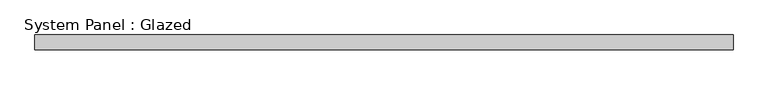
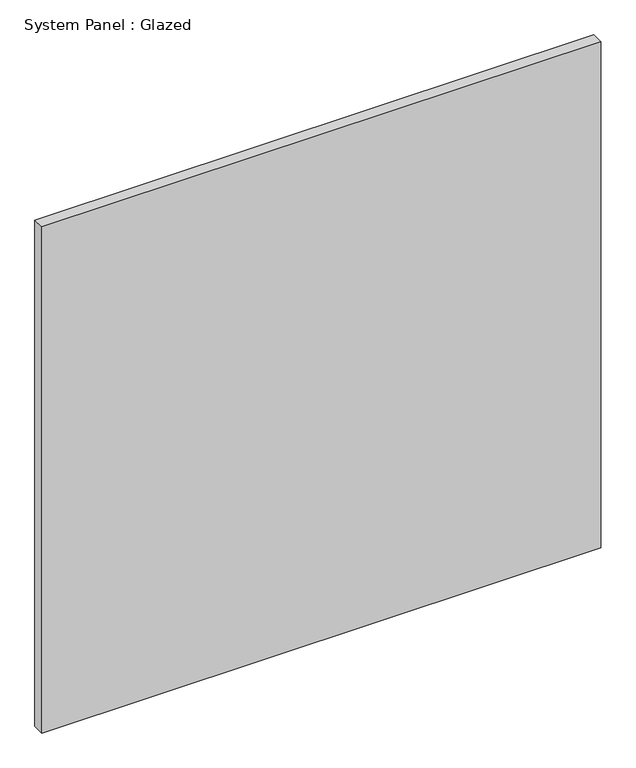
"""IFC4 building model written with IfcOpenShell, lengths in millimetres: plate geometry, System Panel : Glazed."""

from ifc_helpers import new_model, si_unit, origin, origin_with_axes, place, context, project, spatial, polyline, outline, extrude, source, transform, mapped, element, save


def system_panel_glazed_efa30ffc(model_context):
    return source(origin(), model_context, "Body", "SweptSolid", [
        extrude(outline(polyline([(596.9, -12.7), (-596.9, -12.7), (-596.9, 12.7), (596.9, 12.7), (596.9, -12.7)])), origin_with_axes(), (0.0, 0.0, 1.0), 1143.0),
    ])


if __name__ == "__main__":
    model = new_model("IFC4")
    model_context = context("Model", 3, world=origin())
    ifc_project = project(units=[si_unit("LENGTHUNIT", "METRE", prefix="MILLI")], contexts=[model_context])
    site = spatial("IfcSite", under=ifc_project)
    building = spatial("IfcBuilding", under=site)
    placement = place(None, origin())
    system_panel_glazed_shape = system_panel_glazed_efa30ffc(model_context)
    element("IfcPlate", 1, ObjectType="System Panel : Glazed", at=placement, inside=building, context=model_context, shape_type="MappedRepresentation", body=[
        mapped(system_panel_glazed_shape, transform((0.0, 0.0, 0.0), x_axis=(1.0, 0.0, 0.0), y_axis=(0.0, 1.0, 0.0), z_axis=(0.0, 0.0, 1.0))),
    ])
    save(model, "model.ifc")
